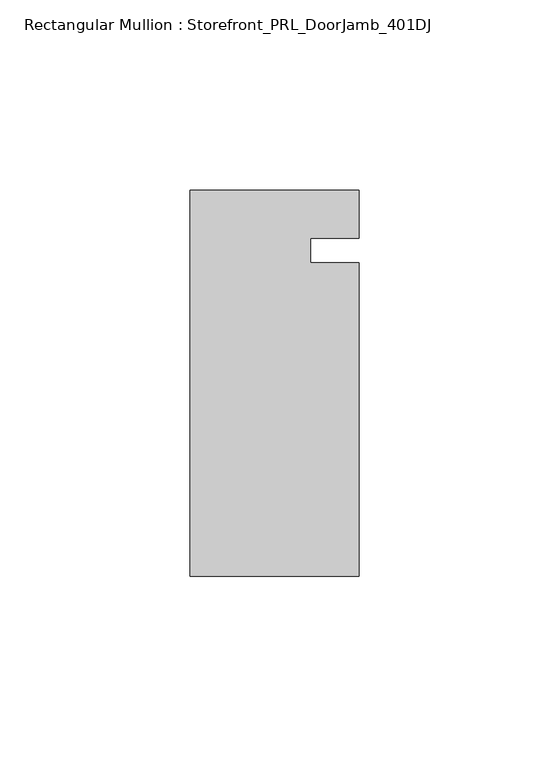
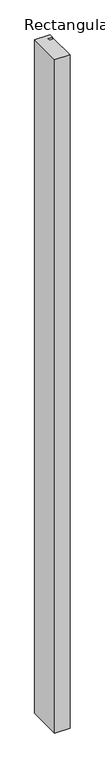
"""IFC4 building model written with IfcOpenShell, lengths in millimetres: member geometry, Rectangular Mullion : Storefront_PRL_DoorJamb_401DJ."""

from ifc_helpers import new_model, si_unit, frame, origin, place, context, project, spatial, polyline, outline, extrude, source, transform, mapped, element, save


def rectangular_mullion_storefront_prl_doorjamb_401dj_e6434d07(model_context):
    return source(origin(), model_context, "Body", "SweptSolid", [
        extrude(outline(polyline([(9.525, -3.175), (22.225, -3.175), (22.225, -85.725), (-22.225, -85.725), (-22.225, 15.875), (22.225, 15.875), (22.225, 3.175), (9.525, 3.175), (9.525, -3.175)])), frame((0.0, 0.0, -2078.83125), z_axis=(0.0, 0.0, 1.0), x_axis=(1.0, 0.0, 0.0)), (0.0, 0.0, 1.0), 2078.83125),
    ])


if __name__ == "__main__":
    model = new_model("IFC4")
    model_context = context("Model", 3, world=origin())
    ifc_project = project(units=[si_unit("LENGTHUNIT", "METRE", prefix="MILLI")], contexts=[model_context])
    site = spatial("IfcSite", under=ifc_project)
    building = spatial("IfcBuilding", under=site)
    placement = place(None, origin())
    rectangular_mullion_storefront_prl_doorjamb_401dj_shape = rectangular_mullion_storefront_prl_doorjamb_401dj_e6434d07(model_context)
    element("IfcMember", 1, ObjectType="Rectangular Mullion : Storefront_PRL_DoorJamb_401DJ", at=placement, inside=building, context=model_context, shape_type="MappedRepresentation", body=[
        mapped(rectangular_mullion_storefront_prl_doorjamb_401dj_shape, transform((0.0, 0.0, 0.0), x_axis=(1.0, 0.0, 0.0), y_axis=(0.0, 1.0, 0.0), z_axis=(0.0, 0.0, 1.0))),
    ])
    save(model, "model.ifc")
